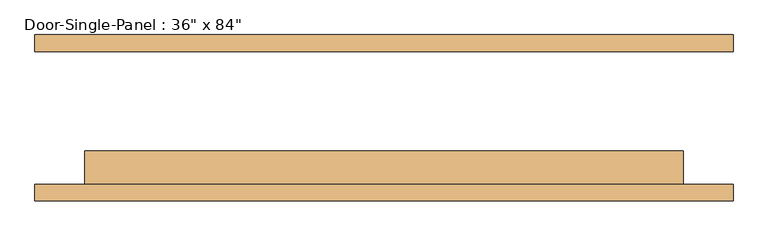
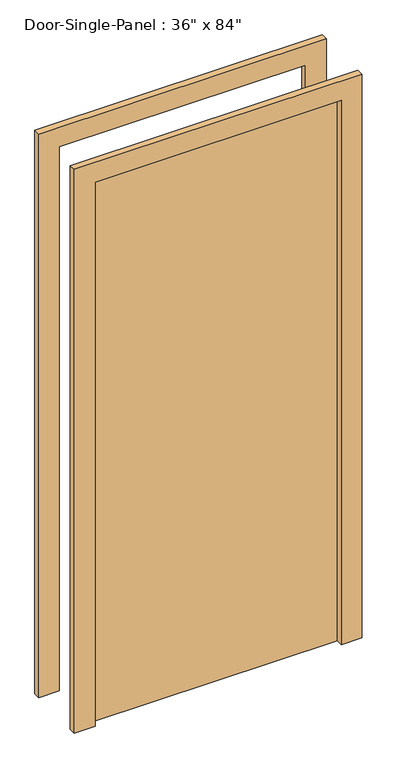
"""IFC4 building model written with IfcOpenShell, lengths in millimetres: door geometry."""

from ifc_helpers import new_model, si_unit, frame, origin, origin_with_axes, place, context, project, spatial, polyline, outline, extrude, source, transform, mapped, element, save


def door_c0e67ed3(model_context):
    return source(origin(), model_context, "Body", "SweptSolid", [
        extrude(outline(polyline([(457.2, -50.8), (457.2, -101.6), (-457.2, -101.6), (-457.2, -50.8), (457.2, -50.8)])), origin_with_axes(), (0.0, 0.0, 1.0), 2133.6),
        extrude(outline(polyline([(2209.8, -533.4), (0.0, -533.4), (0.0, -457.2), (2133.6, -457.2), (2133.6, 457.2), (0.0, 457.2), (0.0, 533.4), (2209.8, 533.4), (2209.8, -533.4)])), frame((0.0, -127.0, 0.0), z_axis=(0.0, 1.0, 0.0), x_axis=(0.0, 0.0, 1.0)), (0.0, 0.0, 1.0), 25.4),
        extrude(outline(polyline([(2209.8, 533.4), (2209.8, -533.4), (0.0, -533.4), (0.0, -457.2), (2133.6, -457.2), (2133.6, 457.2), (0.0, 457.2), (0.0, 533.4), (2209.8, 533.4)])), frame((0.0, 101.6, 0.0), z_axis=(0.0, 1.0, 0.0), x_axis=(0.0, 0.0, 1.0)), (0.0, 0.0, 1.0), 25.4),
    ])


if __name__ == "__main__":
    model = new_model("IFC4")
    model_context = context("Model", 3, world=origin())
    ifc_project = project(units=[si_unit("LENGTHUNIT", "METRE", prefix="MILLI")], contexts=[model_context])
    site = spatial("IfcSite", under=ifc_project)
    building = spatial("IfcBuilding", under=site)
    placement = place(None, origin())
    door_shape = door_c0e67ed3(model_context)
    element("IfcDoor", 1, ObjectType="Door-Single-Panel : 36\" x 84\"", at=placement, inside=building, context=model_context, shape_type="MappedRepresentation", body=[
        mapped(door_shape, transform((0.0, 0.0, 0.0), x_axis=(1.0, 0.0, 0.0), y_axis=(0.0, 1.0, 0.0), z_axis=(0.0, 0.0, 1.0))),
    ])
    save(model, "model.ifc")
